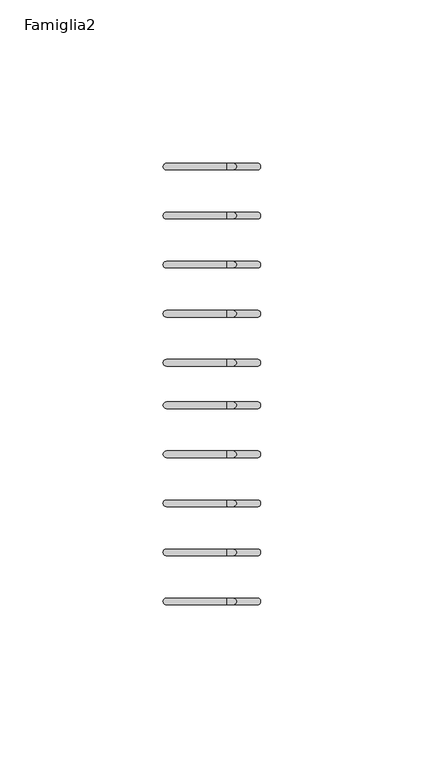
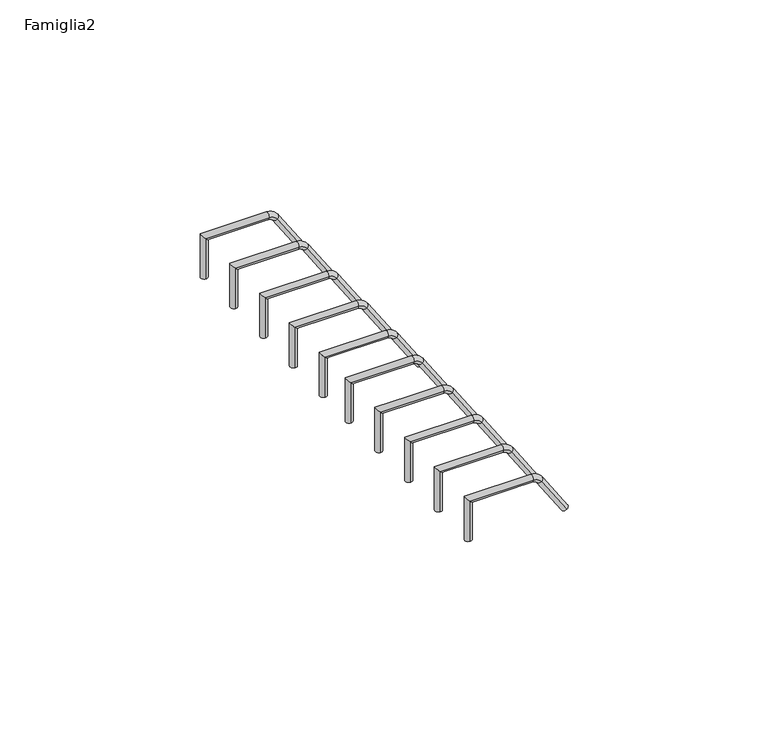
"""IFC4 building model written with IfcOpenShell, lengths in millimetres: proxy geometry, Famiglia2."""

import ifcopenshell
import ifcopenshell.guid

model = None  # the IFC model being written
_history = None  # IfcOwnerHistory: only IFC2X3 demands one
_inside = {}  # id of a spatial element -> (the spatial element, [elements in it])
_under = {}  # id of a project, library or spatial element -> (it, [spatial elements below it])
_declared = {}  # id of a project -> (the project, [libraries it declares])
_typed = {}  # id of a type object -> (the type object, [elements of that type])
_made_of = {}  # id of a material, layer set ... -> (it, [elements and type objects made of it])


def new_model(schema):
    """Start an empty IFC model of exactly this schema.

    Asked for "IFC4X3", IfcOpenShell would pick the latest addendum, in which some entities
    have other attributes; the version numbers below select the first issue.
    IFC2X3 requires an IfcOwnerHistory on every rooted entity: one is made here for all.
    """
    global model, _history
    if schema == "IFC4X3":
        model = ifcopenshell.file(schema_version=(4, 3, 0, 0))
    else:
        model = ifcopenshell.file(schema=schema)
    _inside.clear()
    _under.clear()
    _declared.clear()
    _typed.clear()
    _made_of.clear()
    _history = None
    if model.schema == "IFC2X3":
        org = make("IfcOrganization", Name="unknown")
        user = make(
            "IfcPersonAndOrganization",
            ThePerson=make("IfcPerson", FamilyName="unknown"),
            TheOrganization=org,
        )
        app = make(
            "IfcApplication",
            ApplicationDeveloper=org,
            Version="unknown",
            ApplicationFullName="unknown",
            ApplicationIdentifier="unknown",
        )
        _history = make(
            "IfcOwnerHistory",
            OwningUser=user,
            OwningApplication=app,
            ChangeAction="ADDED",
            CreationDate=0,
        )
    return model


def make(cls, **values):
    """One entity of the class cls with the attributes given. An attribute that is None is left unset."""
    return model.create_entity(
        cls, **{name: value for name, value in values.items() if value is not None}
    )


def rooted(cls, **values):
    """An entity with a GlobalId (a new one), such as an element, a storey or a relation."""
    return make(cls, GlobalId=ifcopenshell.guid.new(), OwnerHistory=_history, **values)


def si_unit(unit_type, name, prefix=None):
    """IfcSIUnit, for example si_unit("LENGTHUNIT", "METRE", prefix="MILLI")."""
    return make("IfcSIUnit", UnitType=unit_type, Prefix=prefix, Name=name)


def assignment(units):
    """IfcUnitAssignment: the units of a project."""
    return None if units is None else make("IfcUnitAssignment", Units=units)


def point(xyz):
    """IfcCartesianPoint."""
    return None if xyz is None else make("IfcCartesianPoint", Coordinates=xyz)


def direction(xyz):
    """IfcDirection."""
    return None if xyz is None else make("IfcDirection", DirectionRatios=xyz)


def frame(location, z_axis=None, x_axis=None):
    """IfcAxis2Placement3D, a coordinate frame: its origin and axes. An axis left out is left unset."""
    return make(
        "IfcAxis2Placement3D",
        Location=point(location),
        Axis=direction(z_axis),
        RefDirection=direction(x_axis),
    )


def origin():
    """The frame at (0, 0, 0) with its axes left unset."""
    return frame((0.0, 0.0, 0.0))


def place(relative_to, where):
    """IfcLocalPlacement: puts the frame where relative to a parent placement (None: the world)."""
    return make(
        "IfcLocalPlacement", PlacementRelTo=relative_to, RelativePlacement=where
    )


def context(
    kind, dimensions, precision=None, world=None, true_north=None, identifier=None
):
    """IfcGeometricRepresentationContext, for example the 3D "Model" context."""
    return make(
        "IfcGeometricRepresentationContext",
        ContextIdentifier=identifier,
        ContextType=kind,
        CoordinateSpaceDimension=dimensions,
        Precision=precision,
        WorldCoordinateSystem=world,
        TrueNorth=true_north,
    )


def project(units=None, contexts=None):
    """IfcProject with its units and contexts."""
    return rooted(
        "IfcProject",
        Name="project",
        RepresentationContexts=contexts,
        UnitsInContext=assignment(units),
    )


def spatial(cls, under=None, at=None, **own):
    """A site, building, storey or space (cls), placed at a placement, below another one or the project."""
    s = rooted(cls, ObjectPlacement=at, **own)
    if under is not None:
        _under.setdefault(under.id(), (under, []))[1].append(s)
    return s


def circle_curve(where, radius):
    """IfcCircle in the frame where."""
    return make("IfcCircle", Position=where, Radius=radius)


def ellipse_curve(where, semi_axis1, semi_axis2):
    """IfcEllipse in the frame where."""
    return make(
        "IfcEllipse", Position=where, SemiAxis1=semi_axis1, SemiAxis2=semi_axis2
    )


def trimmed(basis, trim1, trim2, sense, master):
    """IfcTrimmedCurve: the piece of a basis curve between two trims."""
    return make(
        "IfcTrimmedCurve",
        BasisCurve=basis,
        Trim1=trim1,
        Trim2=trim2,
        SenseAgreement=sense,
        MasterRepresentation=master,
    )


def shape(context_of_items, identifier, shape_type, items):
    """IfcShapeRepresentation: the items that make up one representation, for example the "Body"."""
    return make(
        "IfcShapeRepresentation",
        ContextOfItems=context_of_items,
        RepresentationIdentifier=identifier,
        RepresentationType=shape_type,
        Items=items,
    )


def source(mapping_origin, context_of_items, identifier, shape_type, items):
    """IfcRepresentationMap: a shape defined once, which mapped items show again and again."""
    return make(
        "IfcRepresentationMap",
        MappingOrigin=mapping_origin,
        MappedRepresentation=shape(context_of_items, identifier, shape_type, items),
    )


def transform(
    local_origin,
    x_axis=None,
    y_axis=None,
    z_axis=None,
    scale=None,
    scale2=None,
    scale3=None,
    uniform=True,
):
    """IfcCartesianTransformationOperator3D, or its non-uniform kind. x_axis, y_axis, z_axis: its Axis1, 2, 3."""
    if uniform:
        return make(
            "IfcCartesianTransformationOperator3D",
            Axis1=direction(x_axis),
            Axis2=direction(y_axis),
            LocalOrigin=point(local_origin),
            Scale=scale,
            Axis3=direction(z_axis),
        )
    return make(
        "IfcCartesianTransformationOperator3DnonUniform",
        Axis1=direction(x_axis),
        Axis2=direction(y_axis),
        LocalOrigin=point(local_origin),
        Scale=scale,
        Axis3=direction(z_axis),
        Scale2=scale2,
        Scale3=scale3,
    )


def mapped(mapping_source, mapping_target):
    """IfcMappedItem: shows the shape of a source again, moved by a transform."""
    return make(
        "IfcMappedItem", MappingSource=mapping_source, MappingTarget=mapping_target
    )


def made_of(thing, what):
    """Note that an element or type object is made of a material, layer set ...; save() writes the relation."""
    if what is not None:
        _made_of.setdefault(what.id(), (what, []))[1].append(thing)
    return thing


def element(
    cls,
    number,
    at=None,
    inside=None,
    cuts=None,
    type_object=None,
    material=None,
    context=None,
    identifier="Body",
    shape_type=None,
    held_by="IfcProductDefinitionShape",
    body=None,
    shapes=None,
    **own,
):
    """One element of the class cls, such as IfcWall. Its Tag is "e" and its number.

    at: its placement. inside: the storey or other place that contains it. cuts: it is an
    opening in that element (IfcRelVoidsElement). A single representation is given by context,
    identifier, shape_type and body (its items); several are given by shapes. held_by: the class
    of the entity that holds the representations. save() writes the other relations.
    """
    e = rooted(cls, Tag="e%d" % number, ObjectPlacement=at, **own)
    if body is not None:
        shapes = [shape(context, identifier, shape_type, body)]
    if shapes is not None:
        e.Representation = make(held_by, Representations=shapes)
    if inside is not None:
        _inside.setdefault(inside.id(), (inside, []))[1].append(e)
    if cuts is not None:
        rooted(
            "IfcRelVoidsElement", RelatingBuildingElement=cuts, RelatedOpeningElement=e
        )
    if type_object is not None:
        _typed.setdefault(type_object.id(), (type_object, []))[1].append(e)
    return made_of(e, material)


def aggregate(whole, parts):
    """IfcRelAggregates: a whole, such as a stair, and the parts it consists of."""
    return rooted("IfcRelAggregates", RelatingObject=whole, RelatedObjects=parts)


def save(model, path):
    """Write the relations noted so far, then the file.

    IfcRelAggregates (storeys below a building ...), IfcRelContainedInSpatialStructure (elements
    in a storey), IfcRelDefinesByType, IfcRelAssociatesMaterial and IfcRelDeclares: one each for
    every whole, place, type object, material and project.
    """
    for whole, parts in _under.values():
        aggregate(whole, parts)
    for where, things in _inside.values():
        rooted(
            "IfcRelContainedInSpatialStructure",
            RelatedElements=things,
            RelatingStructure=where,
        )
    for kind, things in _typed.values():
        rooted("IfcRelDefinesByType", RelatedObjects=things, RelatingType=kind)
    for what, things in _made_of.values():
        rooted("IfcRelAssociatesMaterial", RelatedObjects=things, RelatingMaterial=what)
    for by, libraries in _declared.values():
        rooted("IfcRelDeclares", RelatingContext=by, RelatedDefinitions=libraries)
    model.write(path)


def plane_surface(at):
    """IfcPlane: the flat surface through the origin of the frame at, square to its z axis."""
    return make("IfcPlane", Position=at)


def cylinder_surface(at, radius):
    """IfcCylindricalSurface: all points at the distance radius from the z axis of the frame at."""
    return make("IfcCylindricalSurface", Position=at, Radius=radius)


def revolved_surface(curve, axis_point, axis_direction):
    """IfcSurfaceOfRevolution: the curve turned about the line through axis_point along axis_direction."""
    return make(
        "IfcSurfaceOfRevolution",
        SweptCurve=make("IfcArbitraryOpenProfileDef", ProfileType="CURVE", Curve=curve),
        AxisPosition=make("IfcAxis1Placement", Location=point(axis_point), Axis=direction(axis_direction)),
    )


def advanced_brep(points, edges, surfaces, faces):
    """IfcAdvancedBrep: a solid bounded by faces that lie on surfaces and meet in shared edges.

    An edge is (start, end): straight between two places in points (the first is 0);
    or (start, end, curve); or (start, end, curve, False) where it runs against its curve.
    A face is (place in surfaces, loops), or (place, loops, False) where it looks against
    its surface's normal. A loop lists edges by number (the first is 1), with a minus sign
    where the edge is run from its end to its start. The first loop is the outer one.
    """
    corners = [point(p) for p in points]
    vertices = [make("IfcVertexPoint", VertexGeometry=c) for c in corners]
    made = []
    for start, end, *more in edges:
        made.append(
            make(
                "IfcEdgeCurve",
                EdgeStart=vertices[start],
                EdgeEnd=vertices[end],
                EdgeGeometry=more[0] if more else make("IfcPolyline", Points=[corners[start], corners[end]]),
                SameSense=more[1] if len(more) > 1 else True,
            )
        )
    hull = []
    for where, loops, *sense in faces:
        bounds = []
        for j, loop in enumerate(loops):
            ring = [make("IfcOrientedEdge", EdgeElement=made[abs(k) - 1], Orientation=k > 0) for k in loop]
            bounds.append(
                make(
                    "IfcFaceOuterBound" if j == 0 else "IfcFaceBound",
                    Bound=make("IfcEdgeLoop", EdgeList=ring),
                    Orientation=True,
                )
            )
        hull.append(make("IfcAdvancedFace", Bounds=bounds, FaceSurface=surfaces[where], SameSense=sense[0] if sense else True))
    return make("IfcAdvancedBrep", Outer=make("IfcClosedShell", CfsFaces=hull))


def famiglia2_06fafb9e(model_context):
    return source(origin(), model_context, "Body", "AdvancedBrep", [
        advanced_brep(
        [(13.9971981, 132.0, 0.0), (13.9971981, 134.0, 0.0), (6.7445163, 132.0, 11.0041321), (6.7445163, 134.0, 11.0041321), (4.4589386, 134.0, 12.3239266), (4.4589386, 132.0, 12.3239266), (-13.9971981, 132.0, 12.3239266), (-13.9971981, 134.0, 12.3239266), (-13.9971981, 132.0, 0.0), (-13.9971981, 134.0, 0.0)],
        [
            (0, 1, circle_curve(frame((13.9971981, 133.0, 0.0), z_axis=(0.5503111593237686, 0.0, -0.834959656464748), x_axis=(0.0, 1.0, 0.0)), 1.0)),
            (1, 0, circle_curve(frame((13.9971981, 133.0, 0.0), z_axis=(0.5503111593237686, 0.0, -0.834959656464748), x_axis=(0.0, 1.0, 0.0)), 1.0)),
            (0, 2),
            (2, 3, circle_curve(frame((6.7445163, 133.0, 11.0041321), z_axis=(0.5503111593237686, 0.0, -0.834959656464748), x_axis=(0.0, 1.0, 0.0)), 1.0)),
            (3, 1),
            (3, 2, circle_curve(frame((6.7445163, 133.0, 11.0041321), z_axis=(0.5503111593237686, 0.0, -0.834959656464748), x_axis=(0.0, 1.0, 0.0)), 1.0)),
            (4, 3, circle_curve(frame((4.2843786, 134.0, 9.382687), z_axis=(0.0, 1.0, 0.0), x_axis=(0.8349596564647481, 0.0, 0.5503111593237683)), 2.9464151)),
            (2, 5, circle_curve(frame((4.2843786, 132.0, 9.382687), z_axis=(0.0, -1.0, 0.0), x_axis=(0.8349596564647481, 0.0, 0.5503111593237683)), 2.9464151)),
            (5, 4, circle_curve(frame((4.4589386, 133.0, 12.3239266), z_axis=(0.9982434781782654, 0.0, -0.0592449008317083), x_axis=(0.0, 1.0, 0.0)), 1.0)),
            (4, 5, circle_curve(frame((4.4589386, 133.0, 12.3239266), z_axis=(0.9982434781782653, 0.0, -0.05924490083170941), x_axis=(0.0, 1.0, 0.0)), 1.0)),
            (5, 6),
            (6, 7, ellipse_curve(frame((-13.9971981, 133.0, 12.3239266), z_axis=(0.7071067811865486, 0.0, 0.7071067811865465), x_axis=(0.7071067811865466, 0.0, -0.7071067811865485)), 1.4142136, 1.0)),
            (7, 4),
            (7, 6, ellipse_curve(frame((-13.9971981, 133.0, 12.3239266), z_axis=(0.7071067811865486, 0.0, 0.7071067811865465), x_axis=(0.7071067811865466, 0.0, -0.7071067811865485)), 1.4142136, 1.0)),
            (8, 9, circle_curve(frame((-13.9971981, 133.0, 0.0), z_axis=(0.0, 0.0, -1.0), x_axis=(0.0, 1.0, 0.0)), 1.0)),
            (9, 8, circle_curve(frame((-13.9971981, 133.0, 0.0), z_axis=(0.0, 0.0, -1.0), x_axis=(0.0, 1.0, 0.0)), 1.0)),
            (6, 8),
            (9, 7),
        ],
        [
            plane_surface(frame((13.9971981, 133.0, 0.0), z_axis=(0.5503111593237686, 0.0, -0.834959656464748), x_axis=(0.0, -1.0, 0.0))),
            cylinder_surface(frame((13.9971981, 133.0, 0.0), z_axis=(0.5503111593237686, 0.0, -0.834959656464748), x_axis=(0.0, 1.0, 0.0)), 1.0),
            revolved_surface(trimmed(ellipse_curve(frame((6.7445163, 133.0, 11.0041321), z_axis=(0.5503111593237683, 0.0, -0.8349596564647481), x_axis=(0.0, 1.0, 0.0)), 1.0, 1.0), [point((6.7445163, 132.0, 11.0041321))], [point((6.7445163, 134.0, 11.0041321))], True, "CARTESIAN"), (4.2843786, 133.0, 9.382687), (0.0, -1.0, 0.0)),
            revolved_surface(trimmed(ellipse_curve(frame((6.7445163, 133.0, 11.0041321), z_axis=(0.5503111593237683, 0.0, -0.8349596564647481), x_axis=(0.0, 1.0, 0.0)), 1.0, 1.0), [point((6.7445163, 134.0, 11.0041321))], [point((6.7445163, 132.0, 11.0041321))], True, "CARTESIAN"), (4.2843786, 133.0, 9.382687), (0.0, -1.0, 0.0)),
            cylinder_surface(frame((4.4589386, 133.0, 12.3239266), z_axis=(1.0, 0.0, 0.0), x_axis=(0.0, 1.0, 0.0)), 1.0),
            plane_surface(frame((-13.9971981, 133.0, 0.0), z_axis=(0.0, 0.0, -1.0), x_axis=(0.0, -1.0, 0.0))),
            cylinder_surface(frame((-13.9971981, 133.0, 12.3239266), z_axis=(0.0, 0.0, 1.0), x_axis=(0.0, 1.0, 0.0)), 1.0),
        ],
        [
            (0, [[1, 2]]),
            (1, [[-1, 3, 4, 5]]),
            (1, [[-2, -5, 6, -3]]),
            (2, [[7, -4, 8, 9]]),
            (3, [[-8, -6, -7, 10]]),
            (4, [[-9, 11, 12, 13]]),
            (4, [[-10, -13, 14, -11]]),
            (5, [[15, 16]]),
            (6, [[-12, 17, -16, 18]]),
            (6, [[-14, -18, -15, -17]]),
        ],
    ),
        advanced_brep(
        [(13.9971981, 117.0, 0.0), (13.9971981, 119.0, 0.0), (6.7445163, 117.0, 11.0041321), (6.7445163, 119.0, 11.0041321), (4.4589386, 119.0, 12.3239266), (4.4589386, 117.0, 12.3239266), (-13.9971981, 117.0, 12.3239266), (-13.9971981, 119.0, 12.3239266), (-13.9971981, 117.0, 0.0), (-13.9971981, 119.0, 0.0)],
        [
            (0, 1, circle_curve(frame((13.9971981, 118.0, 0.0), z_axis=(0.5503111593237686, 0.0, -0.834959656464748), x_axis=(0.0, 1.0, 0.0)), 1.0)),
            (1, 0, circle_curve(frame((13.9971981, 118.0, 0.0), z_axis=(0.5503111593237686, 0.0, -0.834959656464748), x_axis=(0.0, 1.0, 0.0)), 1.0)),
            (0, 2),
            (2, 3, circle_curve(frame((6.7445163, 118.0, 11.0041321), z_axis=(0.5503111593237686, 0.0, -0.834959656464748), x_axis=(0.0, 1.0, 0.0)), 1.0)),
            (3, 1),
            (3, 2, circle_curve(frame((6.7445163, 118.0, 11.0041321), z_axis=(0.5503111593237686, 0.0, -0.834959656464748), x_axis=(0.0, 1.0, 0.0)), 1.0)),
            (4, 3, circle_curve(frame((4.2843786, 119.0, 9.382687), z_axis=(0.0, 1.0, 0.0), x_axis=(0.8349596564647481, 0.0, 0.5503111593237683)), 2.9464151)),
            (2, 5, circle_curve(frame((4.2843786, 117.0, 9.382687), z_axis=(0.0, -1.0, 0.0), x_axis=(0.8349596564647481, 0.0, 0.5503111593237683)), 2.9464151)),
            (5, 4, circle_curve(frame((4.4589386, 118.0, 12.3239266), z_axis=(0.9982434781782654, 0.0, -0.0592449008317083), x_axis=(0.0, 1.0, 0.0)), 1.0)),
            (4, 5, circle_curve(frame((4.4589386, 118.0, 12.3239266), z_axis=(0.9982434781782653, 0.0, -0.05924490083170941), x_axis=(0.0, 1.0, 0.0)), 1.0)),
            (5, 6),
            (6, 7, ellipse_curve(frame((-13.9971981, 118.0, 12.3239266), z_axis=(0.7071067811865486, 0.0, 0.7071067811865465), x_axis=(0.7071067811865466, 0.0, -0.7071067811865485)), 1.4142136, 1.0)),
            (7, 4),
            (7, 6, ellipse_curve(frame((-13.9971981, 118.0, 12.3239266), z_axis=(0.7071067811865486, 0.0, 0.7071067811865465), x_axis=(0.7071067811865466, 0.0, -0.7071067811865485)), 1.4142136, 1.0)),
            (8, 9, circle_curve(frame((-13.9971981, 118.0, 0.0), z_axis=(0.0, 0.0, -1.0), x_axis=(0.0, 1.0, 0.0)), 1.0)),
            (9, 8, circle_curve(frame((-13.9971981, 118.0, 0.0), z_axis=(0.0, 0.0, -1.0), x_axis=(0.0, 1.0, 0.0)), 1.0)),
            (6, 8),
            (9, 7),
        ],
        [
            plane_surface(frame((13.9971981, 118.0, 0.0), z_axis=(0.5503111593237686, 0.0, -0.834959656464748), x_axis=(0.0, -1.0, 0.0))),
            cylinder_surface(frame((13.9971981, 118.0, 0.0), z_axis=(0.5503111593237686, 0.0, -0.834959656464748), x_axis=(0.0, 1.0, 0.0)), 1.0),
            revolved_surface(trimmed(ellipse_curve(frame((6.7445163, 118.0, 11.0041321), z_axis=(0.5503111593237683, 0.0, -0.8349596564647481), x_axis=(0.0, 1.0, 0.0)), 1.0, 1.0), [point((6.7445163, 117.0, 11.0041321))], [point((6.7445163, 119.0, 11.0041321))], True, "CARTESIAN"), (4.2843786, 118.0, 9.382687), (0.0, -1.0, 0.0)),
            revolved_surface(trimmed(ellipse_curve(frame((6.7445163, 118.0, 11.0041321), z_axis=(0.5503111593237683, 0.0, -0.8349596564647481), x_axis=(0.0, 1.0, 0.0)), 1.0, 1.0), [point((6.7445163, 119.0, 11.0041321))], [point((6.7445163, 117.0, 11.0041321))], True, "CARTESIAN"), (4.2843786, 118.0, 9.382687), (0.0, -1.0, 0.0)),
            cylinder_surface(frame((4.4589386, 118.0, 12.3239266), z_axis=(1.0, 0.0, 0.0), x_axis=(0.0, 1.0, 0.0)), 1.0),
            plane_surface(frame((-13.9971981, 118.0, 0.0), z_axis=(0.0, 0.0, -1.0), x_axis=(0.0, -1.0, 0.0))),
            cylinder_surface(frame((-13.9971981, 118.0, 12.3239266), z_axis=(0.0, 0.0, 1.0), x_axis=(0.0, 1.0, 0.0)), 1.0),
        ],
        [
            (0, [[1, 2]]),
            (1, [[-1, 3, 4, 5]]),
            (1, [[-2, -5, 6, -3]]),
            (2, [[7, -4, 8, 9]]),
            (3, [[-8, -6, -7, 10]]),
            (4, [[-9, 11, 12, 13]]),
            (4, [[-10, -13, 14, -11]]),
            (5, [[15, 16]]),
            (6, [[-12, 17, -16, 18]]),
            (6, [[-14, -18, -15, -17]]),
        ],
    ),
        advanced_brep(
        [(13.9971981, 102.0, 0.0), (13.9971981, 104.0, 0.0), (6.7445163, 102.0, 11.0041321), (6.7445163, 104.0, 11.0041321), (4.4589386, 104.0, 12.3239266), (4.4589386, 102.0, 12.3239266), (-13.9971981, 102.0, 12.3239266), (-13.9971981, 104.0, 12.3239266), (-13.9971981, 102.0, 0.0), (-13.9971981, 104.0, 0.0)],
        [
            (0, 1, circle_curve(frame((13.9971981, 103.0, 0.0), z_axis=(0.5503111593237686, 0.0, -0.834959656464748), x_axis=(0.0, 1.0, 0.0)), 1.0)),
            (1, 0, circle_curve(frame((13.9971981, 103.0, 0.0), z_axis=(0.5503111593237686, 0.0, -0.834959656464748), x_axis=(0.0, 1.0, 0.0)), 1.0)),
            (0, 2),
            (2, 3, circle_curve(frame((6.7445163, 103.0, 11.0041321), z_axis=(0.5503111593237686, 0.0, -0.834959656464748), x_axis=(0.0, 1.0, 0.0)), 1.0)),
            (3, 1),
            (3, 2, circle_curve(frame((6.7445163, 103.0, 11.0041321), z_axis=(0.5503111593237686, 0.0, -0.834959656464748), x_axis=(0.0, 1.0, 0.0)), 1.0)),
            (4, 3, circle_curve(frame((4.2843786, 104.0, 9.382687), z_axis=(0.0, 1.0, 0.0), x_axis=(0.8349596564647481, 0.0, 0.5503111593237683)), 2.9464151)),
            (2, 5, circle_curve(frame((4.2843786, 102.0, 9.382687), z_axis=(0.0, -1.0, 0.0), x_axis=(0.8349596564647481, 0.0, 0.5503111593237683)), 2.9464151)),
            (5, 4, circle_curve(frame((4.4589386, 103.0, 12.3239266), z_axis=(0.9982434781782653, 0.0, -0.05924490083170941), x_axis=(0.0, 1.0, 0.0)), 1.0)),
            (4, 5, circle_curve(frame((4.4589386, 103.0, 12.3239266), z_axis=(0.9982434781782654, 0.0, -0.05924490083170958), x_axis=(0.0, 1.0, 0.0)), 1.0)),
            (5, 6),
            (6, 7, ellipse_curve(frame((-13.9971981, 103.0, 12.3239266), z_axis=(0.7071067811865486, 0.0, 0.7071067811865465), x_axis=(0.7071067811865466, 0.0, -0.7071067811865485)), 1.4142136, 1.0)),
            (7, 4),
            (7, 6, ellipse_curve(frame((-13.9971981, 103.0, 12.3239266), z_axis=(0.7071067811865486, 0.0, 0.7071067811865465), x_axis=(0.7071067811865466, 0.0, -0.7071067811865485)), 1.4142136, 1.0)),
            (8, 9, circle_curve(frame((-13.9971981, 103.0, 0.0), z_axis=(0.0, 0.0, -1.0), x_axis=(0.0, 1.0, 0.0)), 1.0)),
            (9, 8, circle_curve(frame((-13.9971981, 103.0, 0.0), z_axis=(0.0, 0.0, -1.0), x_axis=(0.0, 1.0, 0.0)), 1.0)),
            (6, 8),
            (9, 7),
        ],
        [
            plane_surface(frame((13.9971981, 103.0, 0.0), z_axis=(0.5503111593237686, 0.0, -0.834959656464748), x_axis=(0.0, -1.0, 0.0))),
            cylinder_surface(frame((13.9971981, 103.0, 0.0), z_axis=(0.5503111593237686, 0.0, -0.834959656464748), x_axis=(0.0, 1.0, 0.0)), 1.0),
            revolved_surface(trimmed(ellipse_curve(frame((6.7445163, 103.0, 11.0041321), z_axis=(0.5503111593237683, 0.0, -0.8349596564647481), x_axis=(0.0, 1.0, 0.0)), 1.0, 1.0), [point((6.7445163, 102.0, 11.0041321))], [point((6.7445163, 104.0, 11.0041321))], True, "CARTESIAN"), (4.2843786, 103.0, 9.382687), (0.0, -1.0, 0.0)),
            revolved_surface(trimmed(ellipse_curve(frame((6.7445163, 103.0, 11.0041321), z_axis=(0.5503111593237683, 0.0, -0.8349596564647481), x_axis=(0.0, 1.0, 0.0)), 1.0, 1.0), [point((6.7445163, 104.0, 11.0041321))], [point((6.7445163, 102.0, 11.0041321))], True, "CARTESIAN"), (4.2843786, 103.0, 9.382687), (0.0, -1.0, 0.0)),
            cylinder_surface(frame((4.4589386, 103.0, 12.3239266), z_axis=(1.0, 0.0, 0.0), x_axis=(0.0, 1.0, 0.0)), 1.0),
            plane_surface(frame((-13.9971981, 103.0, 0.0), z_axis=(0.0, 0.0, -1.0), x_axis=(0.0, -1.0, 0.0))),
            cylinder_surface(frame((-13.9971981, 103.0, 12.3239266), z_axis=(0.0, 0.0, 1.0), x_axis=(0.0, 1.0, 0.0)), 1.0),
        ],
        [
            (0, [[1, 2]]),
            (1, [[-1, 3, 4, 5]]),
            (1, [[-2, -5, 6, -3]]),
            (2, [[7, -4, 8, 9]]),
            (3, [[-8, -6, -7, 10]]),
            (4, [[-9, 11, 12, 13]]),
            (4, [[-10, -13, 14, -11]]),
            (5, [[15, 16]]),
            (6, [[-12, 17, -16, 18]]),
            (6, [[-14, -18, -15, -17]]),
        ],
    ),
        advanced_brep(
        [(13.9971981, 87.0, 0.0), (13.9971981, 89.0, 0.0), (6.7445163, 87.0, 11.0041321), (6.7445163, 89.0, 11.0041321), (4.4589386, 89.0, 12.3239266), (4.4589386, 87.0, 12.3239266), (-13.9971981, 87.0, 12.3239266), (-13.9971981, 89.0, 12.3239266), (-13.9971981, 87.0, 0.0), (-13.9971981, 89.0, 0.0)],
        [
            (0, 1, circle_curve(frame((13.9971981, 88.0, 0.0), z_axis=(0.5503111593237686, 0.0, -0.834959656464748), x_axis=(0.0, 1.0, 0.0)), 1.0)),
            (1, 0, circle_curve(frame((13.9971981, 88.0, 0.0), z_axis=(0.5503111593237686, 0.0, -0.834959656464748), x_axis=(0.0, 1.0, 0.0)), 1.0)),
            (0, 2),
            (2, 3, circle_curve(frame((6.7445163, 88.0, 11.0041321), z_axis=(0.5503111593237686, 0.0, -0.834959656464748), x_axis=(0.0, 1.0, 0.0)), 1.0)),
            (3, 1),
            (3, 2, circle_curve(frame((6.7445163, 88.0, 11.0041321), z_axis=(0.5503111593237686, 0.0, -0.834959656464748), x_axis=(0.0, 1.0, 0.0)), 1.0)),
            (4, 3, circle_curve(frame((4.2843786, 89.0, 9.382687), z_axis=(0.0, 1.0, 0.0), x_axis=(0.8349596564647481, 0.0, 0.5503111593237683)), 2.9464151)),
            (2, 5, circle_curve(frame((4.2843786, 87.0, 9.382687), z_axis=(0.0, -1.0, 0.0), x_axis=(0.8349596564647481, 0.0, 0.5503111593237683)), 2.9464151)),
            (5, 4, circle_curve(frame((4.4589386, 88.0, 12.3239266), z_axis=(0.9982434781782655, 0.0, -0.0592449008317088), x_axis=(0.0, 1.0, 0.0)), 1.0)),
            (4, 5, circle_curve(frame((4.4589386, 88.0, 12.3239266), z_axis=(0.9982434781782654, 0.0, -0.0592449008317098), x_axis=(0.0, 1.0, 0.0)), 1.0)),
            (5, 6),
            (6, 7, ellipse_curve(frame((-13.9971981, 88.0, 12.3239266), z_axis=(0.7071067811865486, 0.0, 0.7071067811865465), x_axis=(0.7071067811865466, 0.0, -0.7071067811865485)), 1.4142136, 1.0)),
            (7, 4),
            (7, 6, ellipse_curve(frame((-13.9971981, 88.0, 12.3239266), z_axis=(0.7071067811865486, 0.0, 0.7071067811865465), x_axis=(0.7071067811865466, 0.0, -0.7071067811865485)), 1.4142136, 1.0)),
            (8, 9, circle_curve(frame((-13.9971981, 88.0, 0.0), z_axis=(0.0, 0.0, -1.0), x_axis=(0.0, 1.0, 0.0)), 1.0)),
            (9, 8, circle_curve(frame((-13.9971981, 88.0, 0.0), z_axis=(0.0, 0.0, -1.0), x_axis=(0.0, 1.0, 0.0)), 1.0)),
            (6, 8),
            (9, 7),
        ],
        [
            plane_surface(frame((13.9971981, 88.0, 0.0), z_axis=(0.5503111593237686, 0.0, -0.834959656464748), x_axis=(0.0, -1.0, 0.0))),
            cylinder_surface(frame((13.9971981, 88.0, 0.0), z_axis=(0.5503111593237686, 0.0, -0.834959656464748), x_axis=(0.0, 1.0, 0.0)), 1.0),
            revolved_surface(trimmed(ellipse_curve(frame((6.7445163, 88.0, 11.0041321), z_axis=(0.5503111593237683, 0.0, -0.8349596564647481), x_axis=(0.0, 1.0, 0.0)), 1.0, 1.0), [point((6.7445163, 87.0, 11.0041321))], [point((6.7445163, 89.0, 11.0041321))], True, "CARTESIAN"), (4.2843786, 88.0, 9.382687), (0.0, -1.0, 0.0)),
            revolved_surface(trimmed(ellipse_curve(frame((6.7445163, 88.0, 11.0041321), z_axis=(0.5503111593237683, 0.0, -0.8349596564647481), x_axis=(0.0, 1.0, 0.0)), 1.0, 1.0), [point((6.7445163, 89.0, 11.0041321))], [point((6.7445163, 87.0, 11.0041321))], True, "CARTESIAN"), (4.2843786, 88.0, 9.382687), (0.0, -1.0, 0.0)),
            cylinder_surface(frame((4.4589386, 88.0, 12.3239266), z_axis=(1.0, 0.0, 0.0), x_axis=(0.0, 1.0, 0.0)), 1.0),
            plane_surface(frame((-13.9971981, 88.0, 0.0), z_axis=(0.0, 0.0, -1.0), x_axis=(0.0, -1.0, 0.0))),
            cylinder_surface(frame((-13.9971981, 88.0, 12.3239266), z_axis=(0.0, 0.0, 1.0), x_axis=(0.0, 1.0, 0.0)), 1.0),
        ],
        [
            (0, [[1, 2]]),
            (1, [[-1, 3, 4, 5]]),
            (1, [[-2, -5, 6, -3]]),
            (2, [[7, -4, 8, 9]]),
            (3, [[-8, -6, -7, 10]]),
            (4, [[-9, 11, 12, 13]]),
            (4, [[-10, -13, 14, -11]]),
            (5, [[15, 16]]),
            (6, [[-12, 17, -16, 18]]),
            (6, [[-14, -18, -15, -17]]),
        ],
    ),
        advanced_brep(
        [(13.9971981, 72.0, 0.0), (13.9971981, 74.0, 0.0), (6.7445163, 72.0, 11.0041321), (6.7445163, 74.0, 11.0041321), (4.4589386, 74.0, 12.3239266), (4.4589386, 72.0, 12.3239266), (-13.9971981, 72.0, 12.3239266), (-13.9971981, 74.0, 12.3239266), (-13.9971981, 72.0, 0.0), (-13.9971981, 74.0, 0.0)],
        [
            (0, 1, circle_curve(frame((13.9971981, 73.0, 0.0), z_axis=(0.5503111593237686, 0.0, -0.834959656464748), x_axis=(0.0, 1.0, 0.0)), 1.0)),
            (1, 0, circle_curve(frame((13.9971981, 73.0, 0.0), z_axis=(0.5503111593237686, 0.0, -0.834959656464748), x_axis=(0.0, 1.0, 0.0)), 1.0)),
            (0, 2),
            (2, 3, circle_curve(frame((6.7445163, 73.0, 11.0041321), z_axis=(0.5503111593237686, 0.0, -0.834959656464748), x_axis=(0.0, 1.0, 0.0)), 1.0)),
            (3, 1),
            (3, 2, circle_curve(frame((6.7445163, 73.0, 11.0041321), z_axis=(0.5503111593237686, 0.0, -0.834959656464748), x_axis=(0.0, 1.0, 0.0)), 1.0)),
            (4, 3, circle_curve(frame((4.2843786, 74.0, 9.382687), z_axis=(0.0, 1.0, 0.0), x_axis=(0.8349596564647481, 0.0, 0.5503111593237683)), 2.9464151)),
            (2, 5, circle_curve(frame((4.2843786, 72.0, 9.382687), z_axis=(0.0, -1.0, 0.0), x_axis=(0.8349596564647481, 0.0, 0.5503111593237683)), 2.9464151)),
            (5, 4, circle_curve(frame((4.4589386, 73.0, 12.3239266), z_axis=(0.9982434781782654, 0.0, -0.05924490083170886), x_axis=(0.0, 1.0, 0.0)), 1.0)),
            (4, 5, circle_curve(frame((4.4589386, 73.0, 12.3239266), z_axis=(0.9982434781782654, 0.0, -0.059244900831709246), x_axis=(0.0, 1.0, 0.0)), 1.0)),
            (5, 6),
            (6, 7, ellipse_curve(frame((-13.9971981, 73.0, 12.3239266), z_axis=(0.7071067811865486, 0.0, 0.7071067811865465), x_axis=(0.7071067811865466, 0.0, -0.7071067811865485)), 1.4142136, 1.0)),
            (7, 4),
            (7, 6, ellipse_curve(frame((-13.9971981, 73.0, 12.3239266), z_axis=(0.7071067811865486, 0.0, 0.7071067811865465), x_axis=(0.7071067811865466, 0.0, -0.7071067811865485)), 1.4142136, 1.0)),
            (8, 9, circle_curve(frame((-13.9971981, 73.0, 0.0), z_axis=(0.0, 0.0, -1.0), x_axis=(0.0, 1.0, 0.0)), 1.0)),
            (9, 8, circle_curve(frame((-13.9971981, 73.0, 0.0), z_axis=(0.0, 0.0, -1.0), x_axis=(0.0, 1.0, 0.0)), 1.0)),
            (6, 8),
            (9, 7),
        ],
        [
            plane_surface(frame((13.9971981, 73.0, 0.0), z_axis=(0.5503111593237686, 0.0, -0.834959656464748), x_axis=(0.0, -1.0, 0.0))),
            cylinder_surface(frame((13.9971981, 73.0, 0.0), z_axis=(0.5503111593237686, 0.0, -0.834959656464748), x_axis=(0.0, 1.0, 0.0)), 1.0),
            revolved_surface(trimmed(ellipse_curve(frame((6.7445163, 73.0, 11.0041321), z_axis=(0.5503111593237683, 0.0, -0.8349596564647481), x_axis=(0.0, 1.0, 0.0)), 1.0, 1.0), [point((6.7445163, 72.0, 11.0041321))], [point((6.7445163, 74.0, 11.0041321))], True, "CARTESIAN"), (4.2843786, 73.0, 9.382687), (0.0, -1.0, 0.0)),
            revolved_surface(trimmed(ellipse_curve(frame((6.7445163, 73.0, 11.0041321), z_axis=(0.5503111593237683, 0.0, -0.8349596564647481), x_axis=(0.0, 1.0, 0.0)), 1.0, 1.0), [point((6.7445163, 74.0, 11.0041321))], [point((6.7445163, 72.0, 11.0041321))], True, "CARTESIAN"), (4.2843786, 73.0, 9.382687), (0.0, -1.0, 0.0)),
            cylinder_surface(frame((4.4589386, 73.0, 12.3239266), z_axis=(1.0, 0.0, 0.0), x_axis=(0.0, 1.0, 0.0)), 1.0),
            plane_surface(frame((-13.9971981, 73.0, 0.0), z_axis=(0.0, 0.0, -1.0), x_axis=(0.0, -1.0, 0.0))),
            cylinder_surface(frame((-13.9971981, 73.0, 12.3239266), z_axis=(0.0, 0.0, 1.0), x_axis=(0.0, 1.0, 0.0)), 1.0),
        ],
        [
            (0, [[1, 2]]),
            (1, [[-1, 3, 4, 5]]),
            (1, [[-2, -5, 6, -3]]),
            (2, [[7, -4, 8, 9]]),
            (3, [[-8, -6, -7, 10]]),
            (4, [[-9, 11, 12, 13]]),
            (4, [[-10, -13, 14, -11]]),
            (5, [[15, 16]]),
            (6, [[-12, 17, -16, 18]]),
            (6, [[-14, -18, -15, -17]]),
        ],
    ),
        advanced_brep(
        [(13.9971981, 59.0, 0.0), (13.9971981, 61.0, 0.0), (6.7445163, 59.0, 11.0041321), (6.7445163, 61.0, 11.0041321), (4.4589386, 61.0, 12.3239266), (4.4589386, 59.0, 12.3239266), (-13.9971981, 59.0, 12.3239266), (-13.9971981, 61.0, 12.3239266), (-13.9971981, 59.0, 0.0), (-13.9971981, 61.0, 0.0)],
        [
            (0, 1, circle_curve(frame((13.9971981, 60.0, 0.0), z_axis=(0.5503111593237686, 0.0, -0.834959656464748), x_axis=(0.0, 1.0, 0.0)), 1.0)),
            (1, 0, circle_curve(frame((13.9971981, 60.0, 0.0), z_axis=(0.5503111593237686, 0.0, -0.834959656464748), x_axis=(0.0, 1.0, 0.0)), 1.0)),
            (0, 2),
            (2, 3, circle_curve(frame((6.7445163, 60.0, 11.0041321), z_axis=(0.5503111593237686, 0.0, -0.834959656464748), x_axis=(0.0, 1.0, 0.0)), 1.0)),
            (3, 1),
            (3, 2, circle_curve(frame((6.7445163, 60.0, 11.0041321), z_axis=(0.5503111593237686, 0.0, -0.834959656464748), x_axis=(0.0, 1.0, 0.0)), 1.0)),
            (4, 3, circle_curve(frame((4.2843786, 61.0, 9.382687), z_axis=(0.0, 1.0, 0.0), x_axis=(0.8349596564647481, 0.0, 0.5503111593237683)), 2.9464151)),
            (2, 5, circle_curve(frame((4.2843786, 59.0, 9.382687), z_axis=(0.0, -1.0, 0.0), x_axis=(0.8349596564647481, 0.0, 0.5503111593237683)), 2.9464151)),
            (5, 4, circle_curve(frame((4.4589386, 60.0, 12.3239266), z_axis=(0.9982434781782655, 0.0, -0.0592449008317088), x_axis=(0.0, 1.0, 0.0)), 1.0)),
            (4, 5, circle_curve(frame((4.4589386, 60.0, 12.3239266), z_axis=(0.9982434781782653, 0.0, -0.05924490083170941), x_axis=(0.0, 1.0, 0.0)), 1.0)),
            (5, 6),
            (6, 7, ellipse_curve(frame((-13.9971981, 60.0, 12.3239266), z_axis=(0.7071067811865486, 0.0, 0.7071067811865465), x_axis=(0.7071067811865466, 0.0, -0.7071067811865485)), 1.4142136, 1.0)),
            (7, 4),
            (7, 6, ellipse_curve(frame((-13.9971981, 60.0, 12.3239266), z_axis=(0.7071067811865486, 0.0, 0.7071067811865465), x_axis=(0.7071067811865466, 0.0, -0.7071067811865485)), 1.4142136, 1.0)),
            (8, 9, circle_curve(frame((-13.9971981, 60.0, 0.0), z_axis=(0.0, 0.0, -1.0), x_axis=(0.0, 1.0, 0.0)), 1.0)),
            (9, 8, circle_curve(frame((-13.9971981, 60.0, 0.0), z_axis=(0.0, 0.0, -1.0), x_axis=(0.0, 1.0, 0.0)), 1.0)),
            (6, 8),
            (9, 7),
        ],
        [
            plane_surface(frame((13.9971981, 60.0, 0.0), z_axis=(0.5503111593237686, 0.0, -0.834959656464748), x_axis=(0.0, -1.0, 0.0))),
            cylinder_surface(frame((13.9971981, 60.0, 0.0), z_axis=(0.5503111593237686, 0.0, -0.834959656464748), x_axis=(0.0, 1.0, 0.0)), 1.0),
            revolved_surface(trimmed(ellipse_curve(frame((6.7445163, 60.0, 11.0041321), z_axis=(0.5503111593237683, 0.0, -0.8349596564647481), x_axis=(0.0, 1.0, 0.0)), 1.0, 1.0), [point((6.7445163, 59.0, 11.0041321))], [point((6.7445163, 61.0, 11.0041321))], True, "CARTESIAN"), (4.2843786, 60.0, 9.382687), (0.0, -1.0, 0.0)),
            revolved_surface(trimmed(ellipse_curve(frame((6.7445163, 60.0, 11.0041321), z_axis=(0.5503111593237683, 0.0, -0.8349596564647481), x_axis=(0.0, 1.0, 0.0)), 1.0, 1.0), [point((6.7445163, 61.0, 11.0041321))], [point((6.7445163, 59.0, 11.0041321))], True, "CARTESIAN"), (4.2843786, 60.0, 9.382687), (0.0, -1.0, 0.0)),
            cylinder_surface(frame((4.4589386, 60.0, 12.3239266), z_axis=(1.0, 0.0, 0.0), x_axis=(0.0, 1.0, 0.0)), 1.0),
            plane_surface(frame((-13.9971981, 60.0, 0.0), z_axis=(0.0, 0.0, -1.0), x_axis=(0.0, -1.0, 0.0))),
            cylinder_surface(frame((-13.9971981, 60.0, 12.3239266), z_axis=(0.0, 0.0, 1.0), x_axis=(0.0, 1.0, 0.0)), 1.0),
        ],
        [
            (0, [[1, 2]]),
            (1, [[-1, 3, 4, 5]]),
            (1, [[-2, -5, 6, -3]]),
            (2, [[7, -4, 8, 9]]),
            (3, [[-8, -6, -7, 10]]),
            (4, [[-9, 11, 12, 13]]),
            (4, [[-10, -13, 14, -11]]),
            (5, [[15, 16]]),
            (6, [[-12, 17, -16, 18]]),
            (6, [[-14, -18, -15, -17]]),
        ],
    ),
        advanced_brep(
        [(13.9971981, 44.0, 0.0), (13.9971981, 46.0, 0.0), (6.7445163, 44.0, 11.0041321), (6.7445163, 46.0, 11.0041321), (4.4589386, 46.0, 12.3239266), (4.4589386, 44.0, 12.3239266), (-13.9971981, 44.0, 12.3239266), (-13.9971981, 46.0, 12.3239266), (-13.9971981, 44.0, 0.0), (-13.9971981, 46.0, 0.0)],
        [
            (0, 1, circle_curve(frame((13.9971981, 45.0, 0.0), z_axis=(0.5503111593237686, 0.0, -0.834959656464748), x_axis=(0.0, 1.0, 0.0)), 1.0)),
            (1, 0, circle_curve(frame((13.9971981, 45.0, 0.0), z_axis=(0.5503111593237686, 0.0, -0.834959656464748), x_axis=(0.0, 1.0, 0.0)), 1.0)),
            (0, 2),
            (2, 3, circle_curve(frame((6.7445163, 45.0, 11.0041321), z_axis=(0.5503111593237686, 0.0, -0.834959656464748), x_axis=(0.0, 1.0, 0.0)), 1.0)),
            (3, 1),
            (3, 2, circle_curve(frame((6.7445163, 45.0, 11.0041321), z_axis=(0.5503111593237686, 0.0, -0.834959656464748), x_axis=(0.0, 1.0, 0.0)), 1.0)),
            (4, 3, circle_curve(frame((4.2843786, 46.0, 9.382687), z_axis=(0.0, 1.0, 0.0), x_axis=(0.8349596564647481, 0.0, 0.5503111593237683)), 2.9464151)),
            (2, 5, circle_curve(frame((4.2843786, 44.0, 9.382687), z_axis=(0.0, -1.0, 0.0), x_axis=(0.8349596564647481, 0.0, 0.5503111593237683)), 2.9464151)),
            (5, 4, circle_curve(frame((4.4589386, 45.0, 12.3239266), z_axis=(0.9982434781782654, 0.0, -0.05924490083170847), x_axis=(0.0, 1.0, 0.0)), 1.0)),
            (4, 5, circle_curve(frame((4.4589386, 45.0, 12.3239266), z_axis=(0.9982434781782654, 0.0, -0.059244900831709246), x_axis=(0.0, 1.0, 0.0)), 1.0)),
            (5, 6),
            (6, 7, ellipse_curve(frame((-13.9971981, 45.0, 12.3239266), z_axis=(0.7071067811865486, 0.0, 0.7071067811865465), x_axis=(0.7071067811865466, 0.0, -0.7071067811865485)), 1.4142136, 1.0)),
            (7, 4),
            (7, 6, ellipse_curve(frame((-13.9971981, 45.0, 12.3239266), z_axis=(0.7071067811865486, 0.0, 0.7071067811865465), x_axis=(0.7071067811865466, 0.0, -0.7071067811865485)), 1.4142136, 1.0)),
            (8, 9, circle_curve(frame((-13.9971981, 45.0, 0.0), z_axis=(0.0, 0.0, -1.0), x_axis=(0.0, 1.0, 0.0)), 1.0)),
            (9, 8, circle_curve(frame((-13.9971981, 45.0, 0.0), z_axis=(0.0, 0.0, -1.0), x_axis=(0.0, 1.0, 0.0)), 1.0)),
            (6, 8),
            (9, 7),
        ],
        [
            plane_surface(frame((13.9971981, 45.0, 0.0), z_axis=(0.5503111593237686, 0.0, -0.834959656464748), x_axis=(0.0, -1.0, 0.0))),
            cylinder_surface(frame((13.9971981, 45.0, 0.0), z_axis=(0.5503111593237686, 0.0, -0.834959656464748), x_axis=(0.0, 1.0, 0.0)), 1.0),
            revolved_surface(trimmed(ellipse_curve(frame((6.7445163, 45.0, 11.0041321), z_axis=(0.5503111593237683, 0.0, -0.8349596564647481), x_axis=(0.0, 1.0, 0.0)), 1.0, 1.0), [point((6.7445163, 44.0, 11.0041321))], [point((6.7445163, 46.0, 11.0041321))], True, "CARTESIAN"), (4.2843786, 45.0, 9.382687), (0.0, -1.0, 0.0)),
            revolved_surface(trimmed(ellipse_curve(frame((6.7445163, 45.0, 11.0041321), z_axis=(0.5503111593237683, 0.0, -0.8349596564647481), x_axis=(0.0, 1.0, 0.0)), 1.0, 1.0), [point((6.7445163, 46.0, 11.0041321))], [point((6.7445163, 44.0, 11.0041321))], True, "CARTESIAN"), (4.2843786, 45.0, 9.382687), (0.0, -1.0, 0.0)),
            cylinder_surface(frame((4.4589386, 45.0, 12.3239266), z_axis=(1.0, 0.0, 0.0), x_axis=(0.0, 1.0, 0.0)), 1.0),
            plane_surface(frame((-13.9971981, 45.0, 0.0), z_axis=(0.0, 0.0, -1.0), x_axis=(0.0, -1.0, 0.0))),
            cylinder_surface(frame((-13.9971981, 45.0, 12.3239266), z_axis=(0.0, 0.0, 1.0), x_axis=(0.0, 1.0, 0.0)), 1.0),
        ],
        [
            (0, [[1, 2]]),
            (1, [[-1, 3, 4, 5]]),
            (1, [[-2, -5, 6, -3]]),
            (2, [[7, -4, 8, 9]]),
            (3, [[-8, -6, -7, 10]]),
            (4, [[-9, 11, 12, 13]]),
            (4, [[-10, -13, 14, -11]]),
            (5, [[15, 16]]),
            (6, [[-12, 17, -16, 18]]),
            (6, [[-14, -18, -15, -17]]),
        ],
    ),
        advanced_brep(
        [(13.9971981, 29.0, 0.0), (13.9971981, 31.0, 0.0), (6.7445163, 29.0, 11.0041321), (6.7445163, 31.0, 11.0041321), (4.4589386, 31.0, 12.3239266), (4.4589386, 29.0, 12.3239266), (-13.9971981, 29.0, 12.3239266), (-13.9971981, 31.0, 12.3239266), (-13.9971981, 29.0, 0.0), (-13.9971981, 31.0, 0.0)],
        [
            (0, 1, circle_curve(frame((13.9971981, 30.0, 0.0), z_axis=(0.5503111593237686, 0.0, -0.834959656464748), x_axis=(0.0, 1.0, 0.0)), 1.0)),
            (1, 0, circle_curve(frame((13.9971981, 30.0, 0.0), z_axis=(0.5503111593237686, 0.0, -0.834959656464748), x_axis=(0.0, 1.0, 0.0)), 1.0)),
            (0, 2),
            (2, 3, circle_curve(frame((6.7445163, 30.0, 11.0041321), z_axis=(0.5503111593237686, 0.0, -0.834959656464748), x_axis=(0.0, 1.0, 0.0)), 1.0)),
            (3, 1),
            (3, 2, circle_curve(frame((6.7445163, 30.0, 11.0041321), z_axis=(0.5503111593237686, 0.0, -0.834959656464748), x_axis=(0.0, 1.0, 0.0)), 1.0)),
            (4, 3, circle_curve(frame((4.2843786, 31.0, 9.382687), z_axis=(0.0, 1.0, 0.0), x_axis=(0.8349596564647481, 0.0, 0.5503111593237683)), 2.9464151)),
            (2, 5, circle_curve(frame((4.2843786, 29.0, 9.382687), z_axis=(0.0, -1.0, 0.0), x_axis=(0.8349596564647481, 0.0, 0.5503111593237683)), 2.9464151)),
            (5, 4, circle_curve(frame((4.4589386, 30.0, 12.3239266), z_axis=(0.9982434781782655, 0.0, -0.0592449008317088), x_axis=(0.0, 1.0, 0.0)), 1.0)),
            (4, 5, circle_curve(frame((4.4589386, 30.0, 12.3239266), z_axis=(0.9982434781782654, 0.0, -0.05924490083170897), x_axis=(0.0, 1.0, 0.0)), 1.0)),
            (5, 6),
            (6, 7, ellipse_curve(frame((-13.9971981, 30.0, 12.3239266), z_axis=(0.7071067811865486, 0.0, 0.7071067811865465), x_axis=(0.7071067811865466, 0.0, -0.7071067811865485)), 1.4142136, 1.0)),
            (7, 4),
            (7, 6, ellipse_curve(frame((-13.9971981, 30.0, 12.3239266), z_axis=(0.7071067811865486, 0.0, 0.7071067811865465), x_axis=(0.7071067811865466, 0.0, -0.7071067811865485)), 1.4142136, 1.0)),
            (8, 9, circle_curve(frame((-13.9971981, 30.0, 0.0), z_axis=(0.0, 0.0, -1.0), x_axis=(0.0, 1.0, 0.0)), 1.0)),
            (9, 8, circle_curve(frame((-13.9971981, 30.0, 0.0), z_axis=(0.0, 0.0, -1.0), x_axis=(0.0, 1.0, 0.0)), 1.0)),
            (6, 8),
            (9, 7),
        ],
        [
            plane_surface(frame((13.9971981, 30.0, 0.0), z_axis=(0.5503111593237686, 0.0, -0.834959656464748), x_axis=(0.0, -1.0, 0.0))),
            cylinder_surface(frame((13.9971981, 30.0, 0.0), z_axis=(0.5503111593237686, 0.0, -0.834959656464748), x_axis=(0.0, 1.0, 0.0)), 1.0),
            revolved_surface(trimmed(ellipse_curve(frame((6.7445163, 30.0, 11.0041321), z_axis=(0.5503111593237683, 0.0, -0.8349596564647481), x_axis=(0.0, 1.0, 0.0)), 1.0, 1.0), [point((6.7445163, 29.0, 11.0041321))], [point((6.7445163, 31.0, 11.0041321))], True, "CARTESIAN"), (4.2843786, 30.0, 9.382687), (0.0, -1.0, 0.0)),
            revolved_surface(trimmed(ellipse_curve(frame((6.7445163, 30.0, 11.0041321), z_axis=(0.5503111593237683, 0.0, -0.8349596564647481), x_axis=(0.0, 1.0, 0.0)), 1.0, 1.0), [point((6.7445163, 31.0, 11.0041321))], [point((6.7445163, 29.0, 11.0041321))], True, "CARTESIAN"), (4.2843786, 30.0, 9.382687), (0.0, -1.0, 0.0)),
            cylinder_surface(frame((4.4589386, 30.0, 12.3239266), z_axis=(1.0, 0.0, 0.0), x_axis=(0.0, 1.0, 0.0)), 1.0),
            plane_surface(frame((-13.9971981, 30.0, 0.0), z_axis=(0.0, 0.0, -1.0), x_axis=(0.0, -1.0, 0.0))),
            cylinder_surface(frame((-13.9971981, 30.0, 12.3239266), z_axis=(0.0, 0.0, 1.0), x_axis=(0.0, 1.0, 0.0)), 1.0),
        ],
        [
            (0, [[1, 2]]),
            (1, [[-1, 3, 4, 5]]),
            (1, [[-2, -5, 6, -3]]),
            (2, [[7, -4, 8, 9]]),
            (3, [[-8, -6, -7, 10]]),
            (4, [[-9, 11, 12, 13]]),
            (4, [[-10, -13, 14, -11]]),
            (5, [[15, 16]]),
            (6, [[-12, 17, -16, 18]]),
            (6, [[-14, -18, -15, -17]]),
        ],
    ),
        advanced_brep(
        [(13.9971981, 14.0, 0.0), (13.9971981, 16.0, 0.0), (6.7445163, 14.0, 11.0041321), (6.7445163, 16.0, 11.0041321), (4.4589386, 16.0, 12.3239266), (4.4589386, 14.0, 12.3239266), (-13.9971981, 14.0, 12.3239266), (-13.9971981, 16.0, 12.3239266), (-13.9971981, 14.0, 0.0), (-13.9971981, 16.0, 0.0)],
        [
            (0, 1, circle_curve(frame((13.9971981, 15.0, 0.0), z_axis=(0.5503111593237686, 0.0, -0.834959656464748), x_axis=(0.0, 1.0, 0.0)), 1.0)),
            (1, 0, circle_curve(frame((13.9971981, 15.0, 0.0), z_axis=(0.5503111593237686, 0.0, -0.834959656464748), x_axis=(0.0, 1.0, 0.0)), 1.0)),
            (0, 2),
            (2, 3, circle_curve(frame((6.7445163, 15.0, 11.0041321), z_axis=(0.5503111593237686, 0.0, -0.834959656464748), x_axis=(0.0, 1.0, 0.0)), 1.0)),
            (3, 1),
            (3, 2, circle_curve(frame((6.7445163, 15.0, 11.0041321), z_axis=(0.5503111593237686, 0.0, -0.834959656464748), x_axis=(0.0, 1.0, 0.0)), 1.0)),
            (4, 3, circle_curve(frame((4.2843786, 16.0, 9.382687), z_axis=(0.0, 1.0, 0.0), x_axis=(0.8349596564647481, 0.0, 0.5503111593237683)), 2.9464151)),
            (2, 5, circle_curve(frame((4.2843786, 14.0, 9.382687), z_axis=(0.0, -1.0, 0.0), x_axis=(0.8349596564647481, 0.0, 0.5503111593237683)), 2.9464151)),
            (5, 4, circle_curve(frame((4.4589386, 15.0, 12.3239266), z_axis=(0.9982434781782655, 0.0, -0.0592449008317088), x_axis=(0.0, 1.0, 0.0)), 1.0)),
            (4, 5, circle_curve(frame((4.4589386, 15.0, 12.3239266), z_axis=(0.9982434781782654, 0.0, -0.05924490083170908), x_axis=(0.0, 1.0, 0.0)), 1.0)),
            (5, 6),
            (6, 7, ellipse_curve(frame((-13.9971981, 15.0, 12.3239266), z_axis=(0.7071067811865486, 0.0, 0.7071067811865465), x_axis=(0.7071067811865466, 0.0, -0.7071067811865485)), 1.4142136, 1.0)),
            (7, 4),
            (7, 6, ellipse_curve(frame((-13.9971981, 15.0, 12.3239266), z_axis=(0.7071067811865486, 0.0, 0.7071067811865465), x_axis=(0.7071067811865466, 0.0, -0.7071067811865485)), 1.4142136, 1.0)),
            (8, 9, circle_curve(frame((-13.9971981, 15.0, 0.0), z_axis=(0.0, 0.0, -1.0), x_axis=(0.0, 1.0, 0.0)), 1.0)),
            (9, 8, circle_curve(frame((-13.9971981, 15.0, 0.0), z_axis=(0.0, 0.0, -1.0), x_axis=(0.0, 1.0, 0.0)), 1.0)),
            (6, 8),
            (9, 7),
        ],
        [
            plane_surface(frame((13.9971981, 15.0, 0.0), z_axis=(0.5503111593237686, 0.0, -0.834959656464748), x_axis=(0.0, -1.0, 0.0))),
            cylinder_surface(frame((13.9971981, 15.0, 0.0), z_axis=(0.5503111593237686, 0.0, -0.834959656464748), x_axis=(0.0, 1.0, 0.0)), 1.0),
            revolved_surface(trimmed(ellipse_curve(frame((6.7445163, 15.0, 11.0041321), z_axis=(0.5503111593237683, 0.0, -0.8349596564647481), x_axis=(0.0, 1.0, 0.0)), 1.0, 1.0), [point((6.7445163, 14.0, 11.0041321))], [point((6.7445163, 16.0, 11.0041321))], True, "CARTESIAN"), (4.2843786, 15.0, 9.382687), (0.0, -1.0, 0.0)),
            revolved_surface(trimmed(ellipse_curve(frame((6.7445163, 15.0, 11.0041321), z_axis=(0.5503111593237683, 0.0, -0.8349596564647481), x_axis=(0.0, 1.0, 0.0)), 1.0, 1.0), [point((6.7445163, 16.0, 11.0041321))], [point((6.7445163, 14.0, 11.0041321))], True, "CARTESIAN"), (4.2843786, 15.0, 9.382687), (0.0, -1.0, 0.0)),
            cylinder_surface(frame((4.4589386, 15.0, 12.3239266), z_axis=(1.0, 0.0, 0.0), x_axis=(0.0, 1.0, 0.0)), 1.0),
            plane_surface(frame((-13.9971981, 15.0, 0.0), z_axis=(0.0, 0.0, -1.0), x_axis=(0.0, -1.0, 0.0))),
            cylinder_surface(frame((-13.9971981, 15.0, 12.3239266), z_axis=(0.0, 0.0, 1.0), x_axis=(0.0, 1.0, 0.0)), 1.0),
        ],
        [
            (0, [[1, 2]]),
            (1, [[-1, 3, 4, 5]]),
            (1, [[-2, -5, 6, -3]]),
            (2, [[7, -4, 8, 9]]),
            (3, [[-8, -6, -7, 10]]),
            (4, [[-9, 11, 12, 13]]),
            (4, [[-10, -13, 14, -11]]),
            (5, [[15, 16]]),
            (6, [[-12, 17, -16, 18]]),
            (6, [[-14, -18, -15, -17]]),
        ],
    ),
        advanced_brep(
        [(13.9971981, -1.0, 0.0), (13.9971981, 1.0, 0.0), (6.7445163, -1.0, 11.0041321), (6.7445163, 1.0, 11.0041321), (4.4589386, 1.0, 12.3239266), (4.4589386, -1.0, 12.3239266), (-13.9971981, -1.0, 12.3239266), (-13.9971981, 1.0, 12.3239266), (-13.9971981, -1.0, 0.0), (-13.9971981, 1.0, 0.0)],
        [
            (0, 1, circle_curve(frame((13.9971981, 0.0, 0.0), z_axis=(0.5503111593237685, 0.0, -0.8349596564647479), x_axis=(0.0, 1.0, 0.0)), 1.0)),
            (1, 0, circle_curve(frame((13.9971981, 0.0, 0.0), z_axis=(0.5503111593237685, 0.0, -0.8349596564647479), x_axis=(0.0, 1.0, 0.0)), 1.0)),
            (0, 2),
            (2, 3, circle_curve(frame((6.7445163, 0.0, 11.0041321), z_axis=(0.5503111593237685, 0.0, -0.8349596564647479), x_axis=(0.0, 1.0, 0.0)), 1.0)),
            (3, 1),
            (3, 2, circle_curve(frame((6.7445163, 0.0, 11.0041321), z_axis=(0.5503111593237685, 0.0, -0.8349596564647479), x_axis=(0.0, 1.0, 0.0)), 1.0)),
            (4, 3, circle_curve(frame((4.2843786, 1.0, 9.382687), z_axis=(0.0, 1.0, 0.0), x_axis=(0.8349596564647476, 0.0, 0.550311159323769)), 2.9464151)),
            (2, 5, circle_curve(frame((4.2843786, -1.0, 9.382687), z_axis=(0.0, -1.0, 0.0), x_axis=(0.8349596564647476, 0.0, 0.550311159323769)), 2.9464151)),
            (5, 4, circle_curve(frame((4.4589386, 0.0, 12.3239266), z_axis=(0.9982434781782652, 0.0, -0.059244900831708525), x_axis=(0.0, 1.0, 0.0)), 1.0)),
            (4, 5, circle_curve(frame((4.4589386, 0.0, 12.3239266), z_axis=(0.9982434781782654, 0.0, -0.05924490083170891), x_axis=(0.0, 1.0, 0.0)), 1.0)),
            (5, 6),
            (6, 7, ellipse_curve(frame((-13.9971981, 0.0, 12.3239266), z_axis=(0.7071067811865485, 0.0, 0.7071067811865466), x_axis=(0.7071067811865466, 0.0, -0.7071067811865485)), 1.4142136, 1.0)),
            (7, 4),
            (7, 6, ellipse_curve(frame((-13.9971981, 0.0, 12.3239266), z_axis=(0.7071067811865485, 0.0, 0.7071067811865466), x_axis=(0.7071067811865466, 0.0, -0.7071067811865485)), 1.4142136, 1.0)),
            (8, 9, circle_curve(frame((-13.9971981, 0.0, 0.0), z_axis=(0.0, 0.0, -1.0), x_axis=(0.0, 1.0, 0.0)), 1.0)),
            (9, 8, circle_curve(frame((-13.9971981, 0.0, 0.0), z_axis=(0.0, 0.0, -1.0), x_axis=(0.0, 1.0, 0.0)), 1.0)),
            (6, 8),
            (9, 7),
        ],
        [
            plane_surface(frame((13.9971981, 0.0, 0.0), z_axis=(0.5503111593237685, 0.0, -0.8349596564647479), x_axis=(0.0, -1.0, 0.0))),
            cylinder_surface(frame((13.9971981, 0.0, 0.0), z_axis=(0.5503111593237685, 0.0, -0.8349596564647479), x_axis=(0.0, 1.0, 0.0)), 1.0),
            revolved_surface(trimmed(ellipse_curve(frame((6.7445163, 0.0, 11.0041321), z_axis=(0.5503111593237691, 0.0, -0.8349596564647475), x_axis=(0.0, 1.0, 0.0)), 1.0, 1.0), [point((6.7445163, -1.0, 11.0041321))], [point((6.7445163, 1.0, 11.0041321))], True, "CARTESIAN"), (4.2843786, 0.0, 9.382687), (0.0, -1.0, 0.0)),
            revolved_surface(trimmed(ellipse_curve(frame((6.7445163, 0.0, 11.0041321), z_axis=(0.5503111593237691, 0.0, -0.8349596564647475), x_axis=(0.0, 1.0, 0.0)), 1.0, 1.0), [point((6.7445163, 1.0, 11.0041321))], [point((6.7445163, -1.0, 11.0041321))], True, "CARTESIAN"), (4.2843786, 0.0, 9.382687), (0.0, -1.0, 0.0)),
            cylinder_surface(frame((4.4589386, 0.0, 12.3239266), z_axis=(1.0, 0.0, 0.0), x_axis=(0.0, 1.0, 0.0)), 1.0),
            plane_surface(frame((-13.9971981, 0.0, 0.0), z_axis=(0.0, 0.0, -1.0), x_axis=(0.0, -1.0, 0.0))),
            cylinder_surface(frame((-13.9971981, 0.0, 12.3239266), z_axis=(0.0, 0.0, 1.0), x_axis=(0.0, 1.0, 0.0)), 1.0),
        ],
        [
            (0, [[1, 2]]),
            (1, [[-1, 3, 4, 5]]),
            (1, [[-2, -5, 6, -3]]),
            (2, [[7, -4, 8, 9]]),
            (3, [[-8, -6, -7, 10]]),
            (4, [[-9, 11, 12, 13]]),
            (4, [[-10, -13, 14, -11]]),
            (5, [[15, 16]]),
            (6, [[-12, 17, -16, 18]]),
            (6, [[-14, -18, -15, -17]]),
        ],
    ),
    ])


if __name__ == "__main__":
    model = new_model("IFC4")
    model_context = context("Model", 3, world=origin())
    ifc_project = project(units=[si_unit("LENGTHUNIT", "METRE", prefix="MILLI")], contexts=[model_context])
    site = spatial("IfcSite", under=ifc_project)
    building = spatial("IfcBuilding", under=site)
    placement = place(None, origin())
    famiglia2_shape = famiglia2_06fafb9e(model_context)
    element("IfcBuildingElementProxy", 1, Name="Famiglia2", ObjectType="Famiglia2", at=placement, inside=building, context=model_context, shape_type="MappedRepresentation", body=[
        mapped(famiglia2_shape, transform((0.0, 0.0, 0.0), x_axis=(1.0, 0.0, 0.0), y_axis=(0.0, 1.0, 0.0), z_axis=(0.0, 0.0, 1.0))),
    ])
    save(model, "model.ifc")
